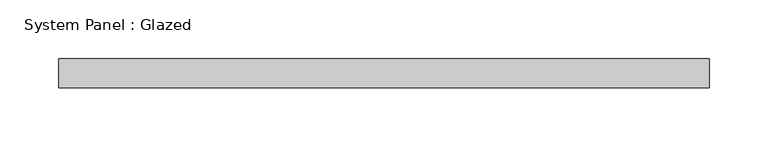
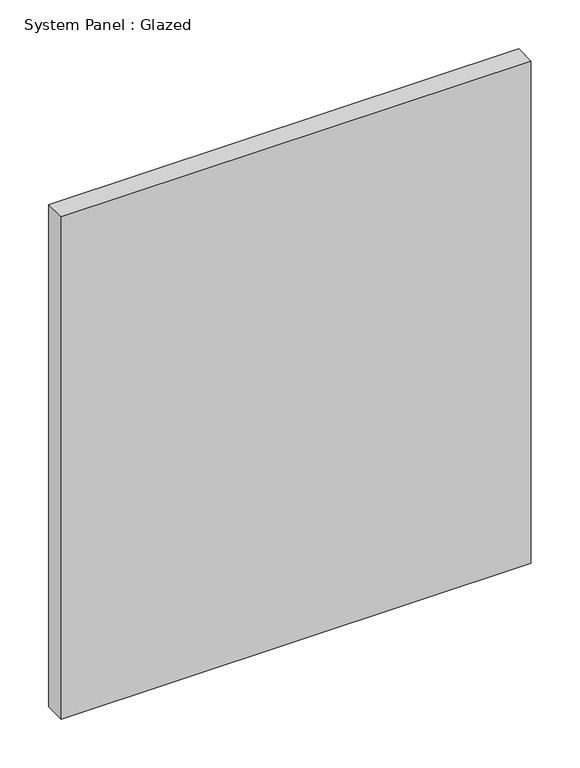
"""IFC4 building model written with IfcOpenShell, lengths in millimetres: plate geometry, System Panel : Glazed."""

from ifc_helpers import new_model, si_unit, origin, origin_with_axes, place, context, project, spatial, polyline, outline, extrude, source, transform, mapped, element, save


def system_panel_glazed_66f0b082(model_context):
    return source(origin(), model_context, "Body", "SweptSolid", [
        extrude(outline(polyline([(277.5, -49.5), (-277.5, -49.5), (-277.5, -24.5), (277.5, -24.5), (277.5, -49.5)])), origin_with_axes(), (0.0, 0.0, 1.0), 626.6666667),
    ])


if __name__ == "__main__":
    model = new_model("IFC4")
    model_context = context("Model", 3, world=origin())
    ifc_project = project(units=[si_unit("LENGTHUNIT", "METRE", prefix="MILLI")], contexts=[model_context])
    site = spatial("IfcSite", under=ifc_project)
    building = spatial("IfcBuilding", under=site)
    placement = place(None, origin())
    system_panel_glazed_shape = system_panel_glazed_66f0b082(model_context)
    element("IfcPlate", 1, ObjectType="System Panel : Glazed", at=placement, inside=building, context=model_context, shape_type="MappedRepresentation", body=[
        mapped(system_panel_glazed_shape, transform((0.0, 0.0, 0.0), x_axis=(1.0, 0.0, 0.0), y_axis=(0.0, 1.0, 0.0), z_axis=(0.0, 0.0, 1.0))),
    ])
    save(model, "model.ifc")
